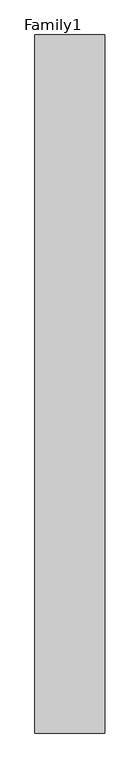
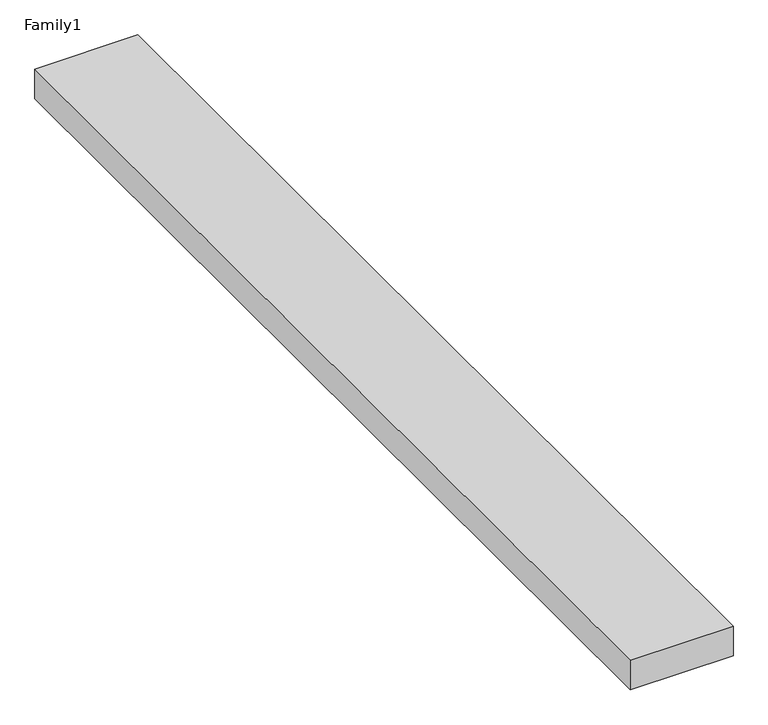
"""IFC4 building model written with IfcOpenShell, lengths in millimetres: proxy geometry, Family1."""

from ifc_helpers import new_model, si_unit, origin, origin_with_axes, place, context, project, spatial, polyline, outline, extrude, source, transform, mapped, element, save


def family1_80fa0ba1(model_context):
    return source(origin(), model_context, "Body", "SweptSolid", [
        extrude(outline(polyline([(5000.0, 0.0), (0.0, 0.0), (0.0, 50000.0), (5000.0, 50000.0), (5000.0, 0.0)])), origin_with_axes(), (0.0, 0.0, 1.0), 1515.0),
    ])


if __name__ == "__main__":
    model = new_model("IFC4")
    model_context = context("Model", 3, world=origin())
    ifc_project = project(units=[si_unit("LENGTHUNIT", "METRE", prefix="MILLI")], contexts=[model_context])
    site = spatial("IfcSite", under=ifc_project)
    building = spatial("IfcBuilding", under=site)
    placement = place(None, origin())
    family1_shape = family1_80fa0ba1(model_context)
    element("IfcBuildingElementProxy", 1, Name="Family1", ObjectType="Family1", at=placement, inside=building, context=model_context, shape_type="MappedRepresentation", body=[
        mapped(family1_shape, transform((0.0, 0.0, 0.0), x_axis=(1.0, 0.0, 0.0), y_axis=(0.0, 1.0, 0.0), z_axis=(0.0, 0.0, 1.0))),
    ])
    save(model, "model.ifc")
